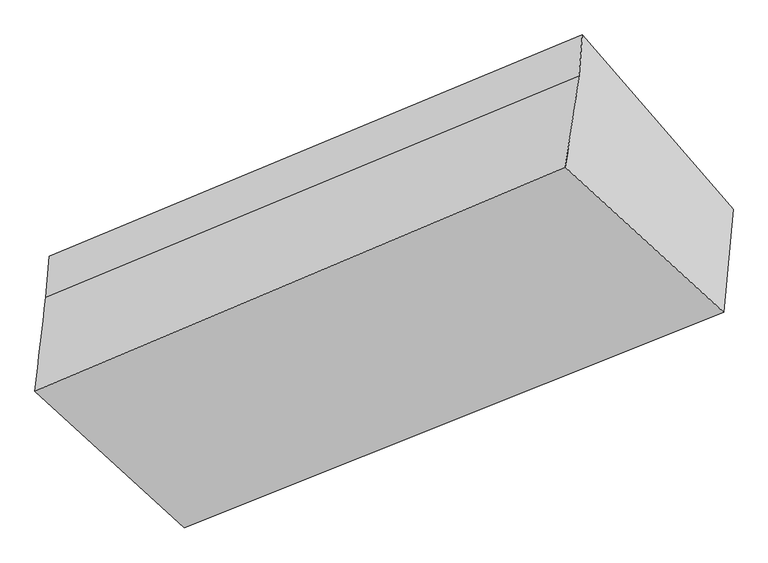
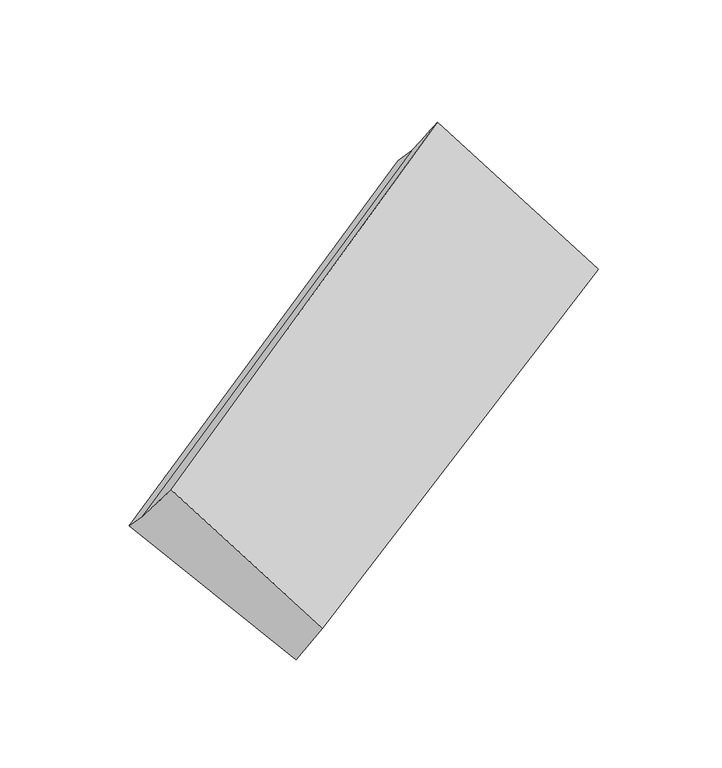
"""IFC4 building model written with IfcOpenShell, lengths in millimetres: proxy geometry."""

from ifc_helpers import new_model, si_unit, frame, origin, place, context, project, spatial, source, transform, mapped, element, save
from ifc_brep_helpers import plane_surface, spline_surface, advanced_brep


def generic_models_869a2203(model_context):
    return source(origin(), model_context, "Body", "AdvancedBrep", [
        advanced_brep(
        [(-3770.819652, -1525.5527558, 1558.8601279), (-3780.2329592, -1644.6615755, 1679.4566659), (-2223.5206645, -998.5926327, 2439.0665331), (-2214.1073574, -879.483813, 2318.4699951), (-3330.8537722, -2034.743319, 1090.293169), (-1774.1414776, -1388.6743762, 1849.9030363), (-3376.6182175, -2318.0494645, 1425.0405011), (-1801.0706357, -1689.2308112, 2160.7219709), (-3812.0416265, -1919.2671276, 1978.2035253), (-2263.8977901, -1265.3507661, 2748.698784)],
        [
            (0, 1),
            (1, 2),
            (2, 3),
            (3, 0),
            (4, 0),
            (0, 5),
            (5, 4),
            (6, 4),
            (5, 7),
            (7, 6),
            (8, 6),
            (7, 9),
            (9, 8),
            (1, 8),
            (9, 2),
            (5, 3),
        ],
        [
            plane_surface(frame((-3775.5263056, -1585.1071656, 1619.1583969), z_axis=(-0.5365437558323194, 0.6209641015043683, 0.5714231205684812), x_axis=(-0.05545011193252201, -0.7016234876438027, 0.7103870541283938))),
            plane_surface(frame((-3550.8367121, -1780.1480374, 1324.5766485), z_axis=(0.05545011193244248, 0.7016234876437715, -0.710387054128431), x_axis=(-0.5365437558323208, 0.6209641015043664, 0.571423120568482))),
            spline_surface(1, 1, [[(-3376.6182175, -2318.0494645, 1425.0405011), (-1801.0706357, -1689.2308112, 2160.7219709)], [(-3330.8537722, -2034.743319, 1090.293169), (-1774.1414776, -1388.6743762, 1849.9030363)]], [2, 2], [2, 2], [0.0, 1.0], [0.0, 1.0]),
            plane_surface(frame((-3594.329922, -2118.658296, 1701.6220132), z_axis=(0.03641117330120039, -0.7968296680124094, 0.603105883435126), x_axis=(0.5381711096805519, -0.49288377326279637, -0.6836939686434507))),
            spline_surface(1, 1, [[(-3780.2329592, -1644.6615755, 1679.4566659), (-2223.5206645, -998.5926327, 2439.0665331)], [(-3812.0416265, -1919.2671276, 1978.2035253), (-2263.8977901, -1265.3507661, 2748.698784)]], [2, 2], [2, 2], [0.0, 1.0], [0.0, 1.0]),
            plane_surface(frame((-2055.3475851, -1244.2664798, 2303.3720639), z_axis=(0.8420487415607281, 0.34946826212040705, 0.4108842301750416), x_axis=(0.06216242385105116, 0.6937950472992961, -0.7174846795604278))),
            plane_surface(frame((-3614.1132455, -1888.4548485, 1546.3707978), z_axis=(-0.8420487415607346, -0.34946826212034465, -0.41088423017508163), x_axis=(0.0554501119325351, 0.7016234876438038, -0.7103870541283918))),
            plane_surface(frame((-3770.819652, -1525.5527558, 1558.8601279), z_axis=(0.055450111932442286, 0.701623487643772, -0.7103870541284305), x_axis=(-0.5365437558323372, 0.6209641015043591, 0.5714231205684746))),
        ],
        [
            (0, [[1, 2, 3, 4]]),
            (1, [[5, 6, 7]]),
            (2, [[8, -7, 9, 10]]),
            (3, [[11, -10, 12, 13]]),
            (4, [[14, -13, 15, -2]]),
            (5, [[-9, 16, -3, -15, -12]]),
            (6, [[-1, -5, -8, -11, -14]]),
            (7, [[-16, -6, -4]]),
        ],
    ),
    ])


if __name__ == "__main__":
    model = new_model("IFC4")
    model_context = context("Model", 3, world=origin())
    ifc_project = project(units=[si_unit("LENGTHUNIT", "METRE", prefix="MILLI")], contexts=[model_context])
    site = spatial("IfcSite", under=ifc_project)
    building = spatial("IfcBuilding", under=site)
    placement = place(None, origin())
    generic_models_shape = generic_models_869a2203(model_context)
    element("IfcBuildingElementProxy", 1, Name="Generic Models", at=placement, inside=building, context=model_context, shape_type="MappedRepresentation", body=[
        mapped(generic_models_shape, transform((0.0, 0.0, 0.0), x_axis=(1.0, 0.0, 0.0), y_axis=(0.0, 1.0, 0.0), z_axis=(0.0, 0.0, 1.0))),
    ])
    save(model, "model.ifc")
